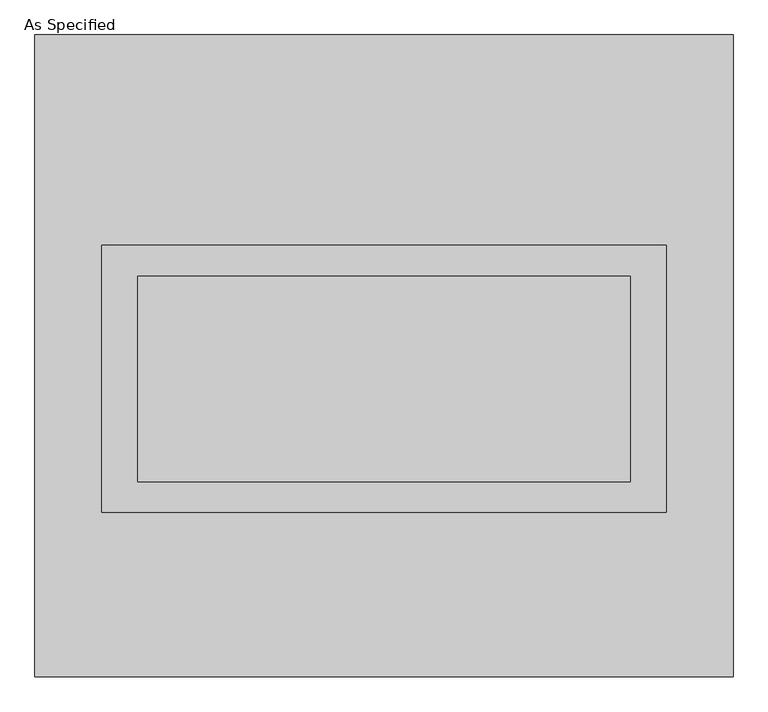
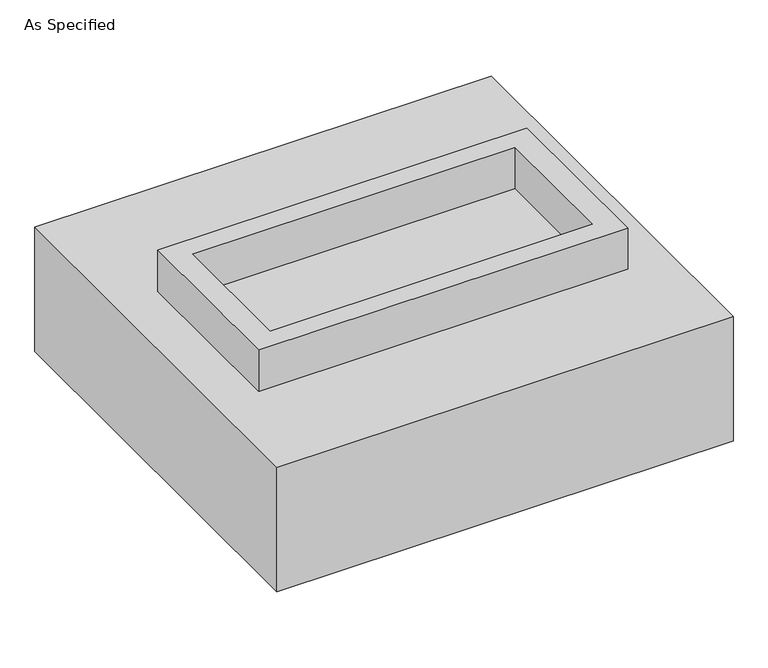
"""IFC4 building model written with IfcOpenShell, lengths in millimetres: proxy geometry, As Specified."""

from ifc_helpers import new_model, si_unit, frame, origin, place, context, project, spatial, polyline, outline, extrude, source, transform, mapped, element, save


def as_specified_463fd718(model_context):
    return source(origin(), model_context, "Body", "SweptSolid", [
        extrude(outline(polyline([(698.5, 273.05), (698.5, -387.35), (-698.5, -387.35), (-698.5, 273.05), (698.5, 273.05)]), holes=[polyline([(609.6, 196.85), (-609.6, 196.85), (-609.6, -311.15), (609.6, -311.15), (609.6, 196.85)])]), frame((0.0, 0.0, -688.975), z_axis=(0.0, 0.0, 1.0), x_axis=(1.0, 0.0, 0.0)), (0.0, 0.0, 1.0), 165.1),
        extrude(outline(polyline([(698.5, 273.05), (698.5, -387.35), (-698.5, -387.35), (-698.5, 273.05), (698.5, 273.05)]), holes=[polyline([(609.6, 196.85), (-609.6, 196.85), (-609.6, -311.15), (609.6, -311.15), (609.6, 196.85)])]), frame((0.0, 0.0, -25.4), z_axis=(0.0, 0.0, 1.0), x_axis=(1.0, 0.0, 0.0)), (0.0, 0.0, 1.0), 165.1),
        extrude(outline(polyline([(609.6, 196.85), (609.6, -311.15), (-609.6, -311.15), (-609.6, 196.85), (609.6, 196.85)])), frame((0.0, 0.0, -523.875), z_axis=(0.0, 0.0, 1.0), x_axis=(1.0, 0.0, 0.0)), (0.0, 0.0, 1.0), 4.9609375),
        extrude(outline(polyline([(609.6, 196.85), (609.6, -311.15), (-609.6, -311.15), (-609.6, 196.85), (609.6, 196.85)])), frame((0.0, 0.0, -30.3609375), z_axis=(0.0, 0.0, 1.0), x_axis=(1.0, 0.0, 0.0)), (0.0, 0.0, 1.0), 4.9609375),
        extrude(outline(polyline([(863.6, -793.75), (-863.6, -793.75), (-863.6, 793.75), (863.6, 793.75), (863.6, -793.75)]), holes=[polyline([(-698.5, 273.05), (-698.5, -387.35), (698.5, -387.35), (698.5, 273.05), (-698.5, 273.05)])]), frame((0.0, 0.0, -523.875), z_axis=(0.0, 0.0, 1.0), x_axis=(1.0, 0.0, 0.0)), (0.0, 0.0, 1.0), 498.475),
    ])


if __name__ == "__main__":
    model = new_model("IFC4")
    model_context = context("Model", 3, world=origin())
    ifc_project = project(units=[si_unit("LENGTHUNIT", "METRE", prefix="MILLI")], contexts=[model_context])
    site = spatial("IfcSite", under=ifc_project)
    building = spatial("IfcBuilding", under=site)
    placement = place(None, origin())
    as_specified_shape = as_specified_463fd718(model_context)
    element("IfcBuildingElementProxy", 1, Name="As Specified", ObjectType="As Specified", at=placement, inside=building, context=model_context, shape_type="MappedRepresentation", body=[
        mapped(as_specified_shape, transform((0.0, 0.0, 0.0), x_axis=(1.0, 0.0, 0.0), y_axis=(0.0, 1.0, 0.0), z_axis=(0.0, 0.0, 1.0))),
    ])
    save(model, "model.ifc")
